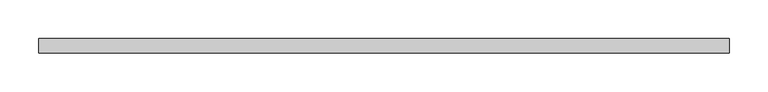
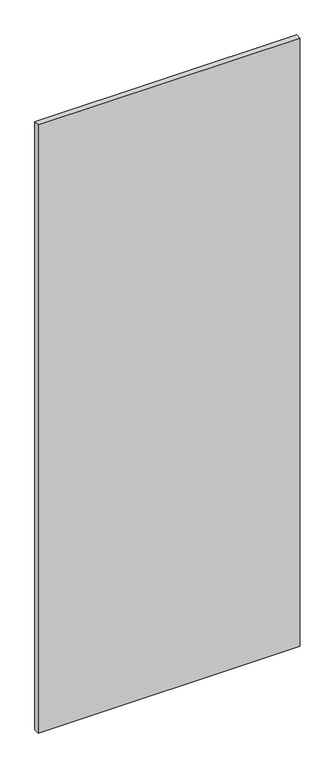
"""IFC4 building model written with IfcOpenShell, lengths in millimetres: proxy geometry."""

from ifc_helpers import new_model, si_unit, frame, origin, place, context, project, spatial, polyline, outline, extrude, source, transform, mapped, element, save


def specialty_equipment_41093c02(model_context):
    return source(origin(), model_context, "Body", "SweptSolid", [
        extrude(outline(polyline([(448.1315163, -9.525), (-448.1315163, -9.525), (-448.1315163, 9.525), (448.1315163, 9.525), (448.1315163, -9.525)])), frame((0.0, 0.0, 3.175), z_axis=(0.0, 0.0, 1.0), x_axis=(1.0, 0.0, 0.0)), (0.0, 0.0, 1.0), 2203.45),
    ])


if __name__ == "__main__":
    model = new_model("IFC4")
    model_context = context("Model", 3, world=origin())
    ifc_project = project(units=[si_unit("LENGTHUNIT", "METRE", prefix="MILLI")], contexts=[model_context])
    site = spatial("IfcSite", under=ifc_project)
    building = spatial("IfcBuilding", under=site)
    placement = place(None, origin())
    specialty_equipment_shape = specialty_equipment_41093c02(model_context)
    element("IfcBuildingElementProxy", 1, Name="Specialty Equipment", at=placement, inside=building, context=model_context, shape_type="MappedRepresentation", body=[
        mapped(specialty_equipment_shape, transform((0.0, 0.0, 0.0), x_axis=(1.0, 0.0, 0.0), y_axis=(0.0, 1.0, 0.0), z_axis=(0.0, 0.0, 1.0))),
    ])
    save(model, "model.ifc")
